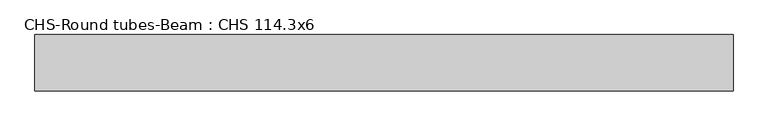
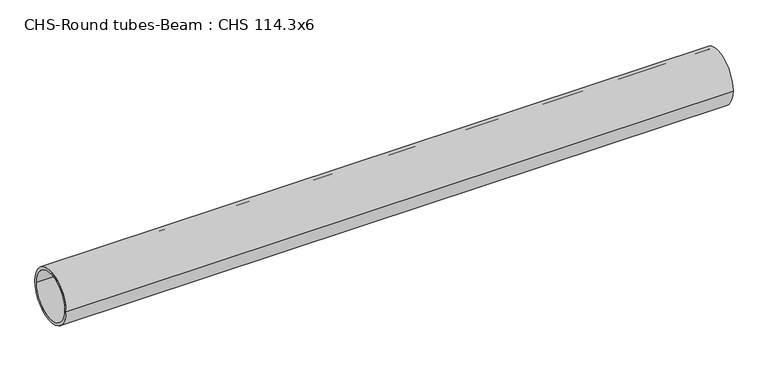
"""IFC4 building model written with IfcOpenShell, lengths in millimetres: beam geometry, CHS-Round tubes-Beam : CHS 114.3x6."""

from ifc_helpers import new_model, si_unit, point, frame, origin, origin_2d, place, context, project, spatial, circle_curve, trimmed, segment, composite_curve, outline, extrude, source, transform, mapped, element, save


def chs_round_tubes_beam_chs_114_3x6_a05f3415(model_context):
    return source(origin(), model_context, "Body", "SweptSolid", [
        extrude(outline(composite_curve([segment(trimmed(circle_curve(origin_2d(), 57.15), [point((57.15, 0.0))], [point((-57.15, 0.0))], False, "CARTESIAN"), True, "CONTINUOUS"), segment(trimmed(circle_curve(origin_2d(), 57.15), [point((-57.15, 0.0))], [point((57.15, 0.0))], False, "CARTESIAN"), True, "CONTINUOUS")], self_intersect=False), holes=[composite_curve([segment(trimmed(circle_curve(origin_2d(), 51.15), [point((51.15, 0.0))], [point((-51.15, 0.0))], True, "CARTESIAN"), True, "CONTINUOUS"), segment(trimmed(circle_curve(origin_2d(), 51.15), [point((-51.15, 0.0))], [point((51.15, 0.0))], True, "CARTESIAN"), True, "CONTINUOUS")], self_intersect=False)]), frame((-703.1016983, 0.0, 0.0), z_axis=(1.0, 0.0, 0.0), x_axis=(0.0, 1.0, 0.0)), (0.0, 0.0, 1.0), 1417.5167989),
    ])


if __name__ == "__main__":
    model = new_model("IFC4")
    model_context = context("Model", 3, world=origin())
    ifc_project = project(units=[si_unit("LENGTHUNIT", "METRE", prefix="MILLI")], contexts=[model_context])
    site = spatial("IfcSite", under=ifc_project)
    building = spatial("IfcBuilding", under=site)
    placement = place(None, origin())
    chs_round_tubes_beam_chs_114_3x6_shape = chs_round_tubes_beam_chs_114_3x6_a05f3415(model_context)
    element("IfcBeam", 1, ObjectType="CHS-Round tubes-Beam : CHS 114.3x6", at=placement, inside=building, context=model_context, shape_type="MappedRepresentation", body=[
        mapped(chs_round_tubes_beam_chs_114_3x6_shape, transform((0.0, 0.0, 0.0), x_axis=(1.0, 0.0, 0.0), y_axis=(0.0, 1.0, 0.0), z_axis=(0.0, 0.0, 1.0))),
    ])
    save(model, "model.ifc")
